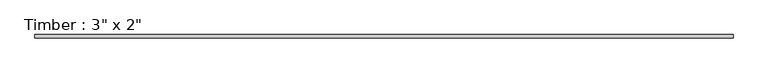
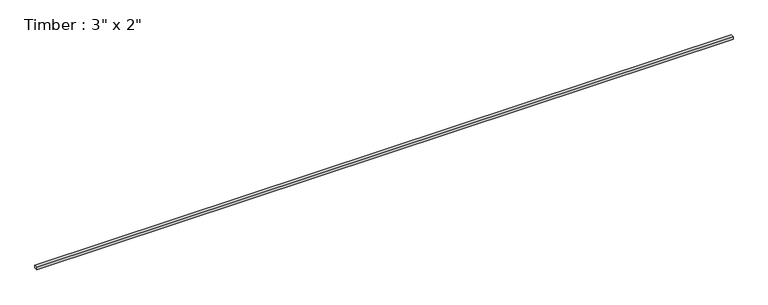
"""IFC4 building model written with IfcOpenShell, lengths in millimetres: beam geometry."""

from ifc_helpers import new_model, si_unit, frame, origin, place, context, project, spatial, polyline, outline, extrude, source, transform, mapped, element, save


def beam_59a18eac(model_context):
    return source(origin(), model_context, "Body", "SweptSolid", [
        extrude(outline(polyline([(7578.3931869, 38.1), (7578.3931869, -38.1), (-7578.3931869, -38.1), (-7578.3931869, 38.1), (7578.3931869, 38.1)])), frame((0.0, 0.0, -25.4), z_axis=(0.0, 0.0, 1.0), x_axis=(1.0, 0.0, 0.0)), (0.0, 0.0, 1.0), 50.8),
    ])


if __name__ == "__main__":
    model = new_model("IFC4")
    model_context = context("Model", 3, world=origin())
    ifc_project = project(units=[si_unit("LENGTHUNIT", "METRE", prefix="MILLI")], contexts=[model_context])
    site = spatial("IfcSite", under=ifc_project)
    building = spatial("IfcBuilding", under=site)
    placement = place(None, origin())
    beam_shape = beam_59a18eac(model_context)
    element("IfcBeam", 1, ObjectType="Timber : 3\" x 2\"", at=placement, inside=building, context=model_context, shape_type="MappedRepresentation", body=[
        mapped(beam_shape, transform((0.0, 0.0, 0.0), x_axis=(1.0, 0.0, 0.0), y_axis=(0.0, 1.0, 0.0), z_axis=(0.0, 0.0, 1.0))),
    ])
    save(model, "model.ifc")
